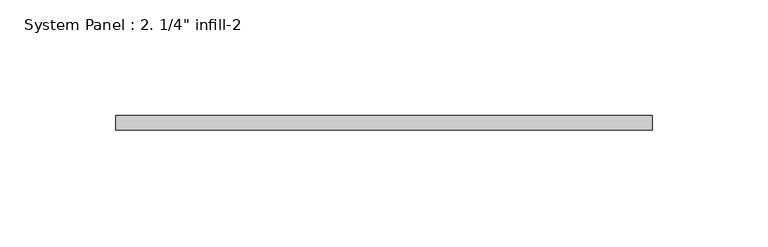
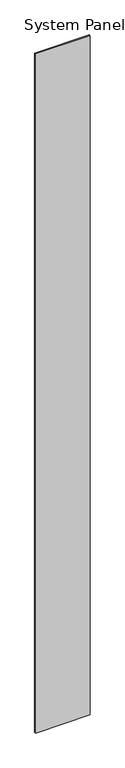
"""IFC4 building model written with IfcOpenShell, lengths in millimetres: plate geometry."""

from ifc_helpers import new_model, si_unit, origin, origin_with_axes, place, context, project, spatial, polyline, outline, extrude, source, transform, mapped, element, save


def plate_30b4d35b(model_context):
    return source(origin(), model_context, "Body", "SweptSolid", [
        extrude(outline(polyline([(116.0597609, 0.0), (-116.0597609, 0.0), (-116.0597609, 6.35), (116.0597609, 6.35), (116.0597609, 0.0)])), origin_with_axes(), (0.0, 0.0, 1.0), 3048.0),
    ])


if __name__ == "__main__":
    model = new_model("IFC4")
    model_context = context("Model", 3, world=origin())
    ifc_project = project(units=[si_unit("LENGTHUNIT", "METRE", prefix="MILLI")], contexts=[model_context])
    site = spatial("IfcSite", under=ifc_project)
    building = spatial("IfcBuilding", under=site)
    placement = place(None, origin())
    plate_shape = plate_30b4d35b(model_context)
    element("IfcPlate", 1, ObjectType="System Panel : 2. 1/4\" infill-2", at=placement, inside=building, context=model_context, shape_type="MappedRepresentation", body=[
        mapped(plate_shape, transform((0.0, 0.0, 0.0), x_axis=(1.0, 0.0, 0.0), y_axis=(0.0, 1.0, 0.0), z_axis=(0.0, 0.0, 1.0))),
    ])
    save(model, "model.ifc")
